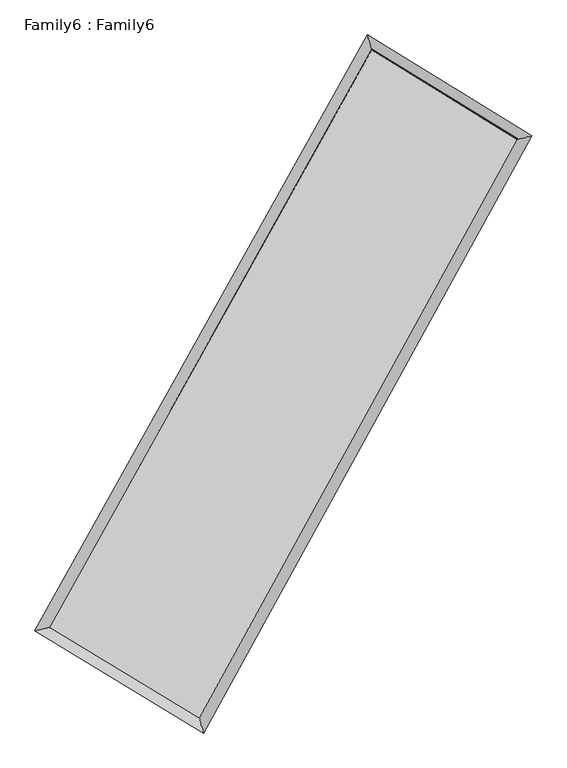
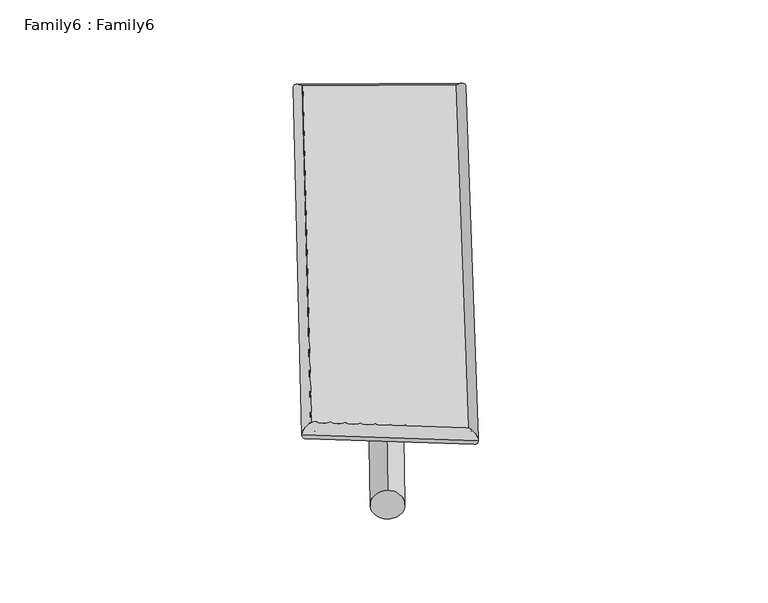
"""IFC4 building model written with IfcOpenShell, lengths in millimetres: plate geometry, Family6 : Family6."""

from ifc_helpers import new_model, si_unit, point, frame, origin, origin_2d, place, context, project, spatial, circle_curve, ellipse_curve, trimmed, segment, composite_curve, outline, extrude, source, transform, mapped, element, save
from ifc_brep_helpers import plane_surface, cylinder_surface, spline_surface, advanced_brep


def family6_family6_d02a5cf6(model_context):
    return source(origin(), model_context, "Body", "SolidModel", [
        extrude(outline(composite_curve([segment(trimmed(circle_curve(origin_2d(), 76.2), [point((-75.4341515, -10.7763073))], [point((75.4341515, 10.7763073))], False, "CARTESIAN"), True, "CONTINUOUS"), segment(trimmed(circle_curve(origin_2d(), 76.2), [point((75.4341515, 10.7763073))], [point((-75.4341515, -10.7763073))], False, "CARTESIAN"), True, "CONTINUOUS")], self_intersect=False)), frame((9144.0, 9144.0, 0.0), z_axis=(0.6640470905449679, 0.6921564681571359, 0.28277355804071014), x_axis=(-0.6847657429388002, 0.7148519406038794, -0.14171302096963728)), (0.0, 0.0, 1.0), 5518.2281068),
        extrude(outline(composite_curve([segment(trimmed(circle_curve(origin_2d(), 76.2), [point((-53.8815368, 53.8815367))], [point((53.8815368, -53.8815367))], False, "CARTESIAN"), True, "CONTINUOUS"), segment(trimmed(circle_curve(origin_2d(), 76.2), [point((53.8815368, -53.8815367))], [point((-53.8815368, 53.8815367))], False, "CARTESIAN"), True, "CONTINUOUS")], self_intersect=False)), frame((9144.0, 9144.0, 0.0), z_axis=(-0.6684621200464181, -0.688287185801531, 0.281814023647612), x_axis=(0.6477355484291839, -0.35254555603625104, 0.6753889917819471)), (0.0, 0.0, 1.0), 5535.3252125),
        extrude(outline(composite_curve([segment(trimmed(circle_curve(origin_2d(), 76.2), [point((-53.8815367, -53.8815367))], [point((53.8815367, 53.8815367))], False, "CARTESIAN"), True, "CONTINUOUS"), segment(trimmed(circle_curve(origin_2d(), 76.2), [point((53.8815367, 53.8815367))], [point((-53.8815367, -53.8815367))], False, "CARTESIAN"), True, "CONTINUOUS")], self_intersect=False)), frame((9144.0, 9144.0, 0.0), z_axis=(0.24170282000244026, 0.9336172668875327, 0.26445896803156727), x_axis=(-0.8445718503793801, 0.336603202271331, -0.4164092623458746)), (0.0, 0.0, 1.0), 5612.8258622),
        extrude(outline(composite_curve([segment(trimmed(circle_curve(origin_2d(), 76.2), [point((-75.4341514, 10.7763074))], [point((75.4341514, -10.7763074))], False, "CARTESIAN"), True, "CONTINUOUS"), segment(trimmed(circle_curve(origin_2d(), 76.2), [point((75.4341514, -10.7763074))], [point((-75.4341514, 10.7763074))], False, "CARTESIAN"), True, "CONTINUOUS")], self_intersect=False)), frame((9144.0, 9144.0, 0.0), z_axis=(-0.23595475903490581, -0.9350423178369109, 0.26461522167660156), x_axis=(0.8904988132997219, -0.09904198281278995, 0.444074936415351)), (0.0, 0.0, 1.0), 5612.2253746),
        advanced_brep(
        [(5239.2665153, 5280.1195038, 1554.4029805), (5239.1049622, 5279.9024709, 1566.7368599), (5648.4230314, 5388.0936702, 1565.4615601), (10556.0214912, 14171.2086426, 1492.1210021), (10445.250187, 14597.2536393, 1476.6032684), (5648.5845844, 5388.3107031, 1553.1276808), (12604.8973638, 12909.8169324, 1559.6378901), (13011.8292748, 13017.1376214, 1561.1801016), (7762.7859321, 4108.9156065, 1486.5210799), (7876.7514961, 3683.7479486, 1483.6394433)],
        [
            (0, 1, ellipse_curve(frame((5443.8447733, 5334.106587, 1559.9322703), z_axis=(-0.25548079615186686, 0.9667175623189957, 0.013664461263681446), x_axis=(-0.9664283624634811, -0.25575256939692764, 0.02463419316771765)), 211.9082933, 152.4)),
            (1, 2, ellipse_curve(frame((5443.8447733, 5334.106587, 1559.9322703), z_axis=(-0.25548079615186686, 0.9667175623189957, 0.013664461263681446), x_axis=(-0.9664283624634811, -0.25575256939692764, 0.02463419316771765)), 211.9082933, 152.4)),
            (2, 3),
            (3, 4, ellipse_curve(frame((10500.6358391, 14384.2311409, 1484.3621352), z_axis=(-0.9675805912275153, -0.2521164894379391, -0.015002507567123867), x_axis=(0.2517139664282791, -0.967492159842999, 0.024474471337953645)), 220.255465, 152.4)),
            (4, 0),
            (2, 5, ellipse_curve(frame((5443.8447733, 5334.106587, 1559.9322703), z_axis=(-0.25548079615186686, 0.9667175623189957, 0.013664461263681446), x_axis=(-0.9664283624634811, -0.25575256939692764, 0.02463419316771765)), 211.9082933, 152.4)),
            (5, 0, ellipse_curve(frame((5443.8447733, 5334.106587, 1559.9322703), z_axis=(-0.25548079615186686, 0.9667175623189957, 0.013664461263681446), x_axis=(-0.9664283624634811, -0.25575256939692764, 0.02463419316771765)), 211.9082933, 152.4)),
            (4, 3, ellipse_curve(frame((10500.6358391, 14384.2311409, 1484.3621352), z_axis=(-0.9675805912275153, -0.2521164894379391, -0.015002507567123867), x_axis=(0.2517139664282791, -0.967492159842999, 0.024474471337953645)), 220.255465, 152.4)),
            (3, 6),
            (6, 7, ellipse_curve(frame((12808.3633193, 12963.4772769, 1560.4089958), z_axis=(-0.2549347588600203, 0.9668518704579014, -0.014343267307026123), x_axis=(-0.9665404070819357, -0.2552325864576822, -0.025611877869614098)), 210.4703745, 152.4)),
            (7, 4),
            (7, 6, ellipse_curve(frame((12808.3633193, 12963.4772769, 1560.4089958), z_axis=(-0.2549347588600203, 0.9668518704579014, -0.014343267307026123), x_axis=(-0.9665404070819357, -0.2552325864576822, -0.025611877869614098)), 210.4703745, 152.4)),
            (6, 8),
            (8, 9, ellipse_curve(frame((7819.7687141, 3896.3317775, 1485.0802616), z_axis=(0.9657803432822991, 0.2589722543224366, -0.01420211324696918), x_axis=(-0.25860021137365063, 0.9656933323551214, 0.023713256258137905)), 220.1283971, 152.4)),
            (9, 7),
            (9, 8, ellipse_curve(frame((7819.7687141, 3896.3317775, 1485.0802616), z_axis=(0.9657803432822991, 0.2589722543224366, -0.01420211324696918), x_axis=(-0.25860021137365063, 0.9656933323551214, 0.023713256258137905)), 220.1283971, 152.4)),
            (8, 5),
            (1, 9),
        ],
        [
            cylinder_surface(frame((5443.8447733, 5334.106587, 1559.9322703), z_axis=(-0.4877619814176968, -0.8729462275805743, 0.007289254854033218), x_axis=(-0.8723043723703772, 0.487041726925563, -0.043306329524540034)), 152.4),
            cylinder_surface(frame((10500.6358391, 14384.2311409, 1484.3621352), z_axis=(-0.8512221123108916, 0.5240554249076688, -0.028050439173508836), x_axis=(0.5246560393302875, 0.8510390601450495, -0.02164621217873468)), 152.4),
            cylinder_surface(frame((12808.3633193, 12963.4772769, 1560.4089958), z_axis=(0.4820294661316918, 0.8761247706601641, 0.007278737285481101), x_axis=(0.8761530097289615, -0.48202946613169173, -0.0018701132796187683)), 152.4),
            cylinder_surface(frame((7819.7687141, 3896.3317775, 1485.0802616), z_axis=(0.8552348417331714, -0.5175397623385894, -0.026943642740980996), x_axis=(-0.5172085331404234, -0.8556568466773717, 0.018619720214557527)), 152.4),
        ],
        [
            (0, [[1, 2, 3, 4, 5]]),
            (0, [[6, 7, -5, 8, -3]]),
            (1, [[-4, 9, 10, 11]]),
            (1, [[-8, -11, 12, -9]]),
            (2, [[-10, 13, 14, 15]]),
            (2, [[-12, -15, 16, -13]]),
            (3, [[-14, 17, -6, -2, 18]]),
            (3, [[-16, -18, -1, -7, -17]]),
        ],
    ),
        extrude(outline(composite_curve([segment(trimmed(circle_curve(origin_2d(), 304.8), [point((1e-07, -304.7999999))], [point((0.0, 304.8))], False, "CARTESIAN"), True, "CONTINUOUS"), segment(trimmed(circle_curve(origin_2d(), 304.8), [point((0.0, 304.8))], [point((1e-07, -304.7999999))], False, "CARTESIAN"), True, "CONTINUOUS")], self_intersect=False)), frame((6587.3242463, 4620.7856529, -0.0467778), z_axis=(0.49206839194292185, 0.8705565447285158, 9.003041718055226e-06), x_axis=(-0.8705565447718477, 0.49206839194292185, 2.3683391305561645e-06)), (0.0, 0.0, 1.0), 10391.5463606),
        advanced_brep(
        [(5443.8447733, 5334.106587, 1559.9322703), (7819.7687141, 3896.3317775, 1485.0802616), (7819.7866225, 3896.3251665, 1637.4802604), (5443.8626817, 5334.099976, 1712.3322691), (12808.3633193, 12963.4772769, 1560.4089958), (12808.3812277, 12963.4706659, 1712.8089946), (10500.6358391, 14384.2311409, 1484.3621352), (10500.6537474, 14384.22453, 1636.7621341)],
        [
            (0, 1),
            (1, 2),
            (2, 3),
            (3, 0),
            (1, 4),
            (4, 5),
            (5, 2),
            (4, 6),
            (6, 7),
            (7, 5),
            (6, 0),
            (3, 7),
        ],
        [
            plane_surface(frame((6631.8067437, 4615.2191823, 1522.506266), z_axis=(-0.5177271739997313, -0.8555457747773569, 2.372475916518485e-05), x_axis=(0.8552348417331717, -0.5175397623385892, -0.02694364274098102))),
            plane_surface(frame((10314.0660167, 8429.9045272, 1522.7446287), z_axis=(0.8761484080276937, -0.482041441960947, -0.00012386585140367794), x_axis=(0.48202946613169156, 0.8761247706601644, 0.007278737285481099))),
            plane_surface(frame((11654.4995792, 13673.8542089, 1522.3855655), z_axis=(0.5242623064196029, 0.8515568292599152, -2.4665732962194514e-05), x_axis=(-0.8512221123108915, 0.524055424907669, -0.02805043917350885))),
            plane_surface(frame((7972.2403062, 9859.168864, 1522.1472028), z_axis=(-0.8729689730754229, 0.4877757238073766, 0.0001237409874152778), x_axis=(-0.48776198141769683, -0.8729462275805742, 0.007289254854033213))),
            spline_surface(1, 1, [[(7819.7866225, 3896.3251665, 1637.4802604), (5443.8626817, 5334.099976, 1712.3322691)], [(12808.3812277, 12963.4706659, 1712.8089946), (10500.6537474, 14384.22453, 1636.7621341)]], [2, 2], [2, 2], [0.0, 1.0], [0.0, 1.0]),
            spline_surface(1, 1, [[(10500.6358391, 14384.2311409, 1484.3621352), (5443.8447733, 5334.106587, 1559.9322703)], [(12808.3633193, 12963.4772769, 1560.4089958), (7819.7687141, 3896.3317775, 1485.0802616)]], [2, 2], [2, 2], [0.0, 1.0], [0.0, 1.0]),
        ],
        [
            (0, [[1, 2, 3, 4]]),
            (1, [[5, 6, 7, -2]]),
            (2, [[8, 9, 10, -6]]),
            (3, [[11, -4, 12, -9]]),
            (4, [[-3, -7, -10, -12]]),
            (5, [[-11, -8, -5, -1]]),
        ],
    ),
    ])


if __name__ == "__main__":
    model = new_model("IFC4")
    model_context = context("Model", 3, world=origin())
    ifc_project = project(units=[si_unit("LENGTHUNIT", "METRE", prefix="MILLI")], contexts=[model_context])
    site = spatial("IfcSite", under=ifc_project)
    building = spatial("IfcBuilding", under=site)
    placement = place(None, origin())
    family6_family6_shape = family6_family6_d02a5cf6(model_context)
    element("IfcPlate", 1, ObjectType="Family6 : Family6", at=placement, inside=building, context=model_context, shape_type="MappedRepresentation", body=[
        mapped(family6_family6_shape, transform((0.0, 0.0, 0.0), x_axis=(1.0, 0.0, 0.0), y_axis=(0.0, 1.0, 0.0), z_axis=(0.0, 0.0, 1.0))),
    ])
    save(model, "model.ifc")
